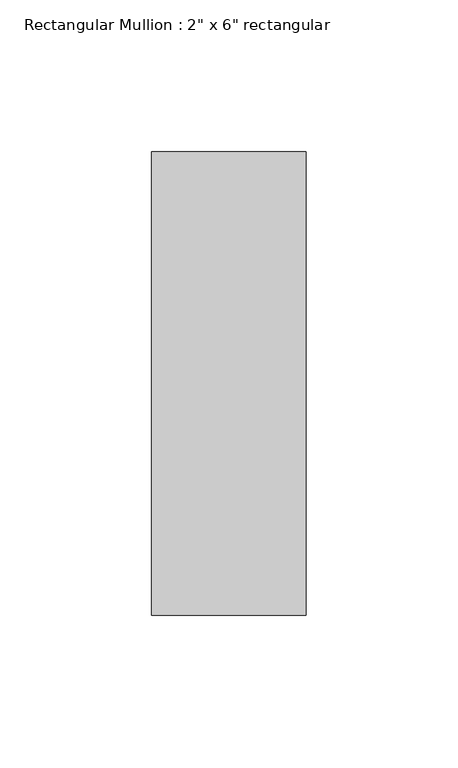
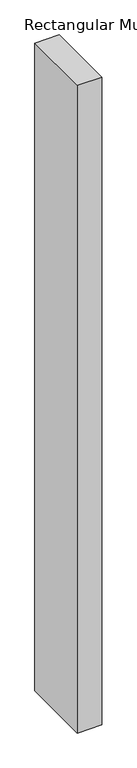
"""IFC4 building model written with IfcOpenShell, lengths in millimetres: member geometry."""

from ifc_helpers import new_model, si_unit, frame, origin, place, context, project, spatial, polyline, outline, extrude, source, transform, mapped, element, save


def member_73506d72(model_context):
    return source(origin(), model_context, "Body", "SweptSolid", [
        extrude(outline(polyline([(0.0, 76.2), (0.0, -76.2), (-50.8, -76.2), (-50.8, 76.2), (0.0, 76.2)])), frame((0.0, 0.0, -1422.4), z_axis=(0.0, 0.0, 1.0), x_axis=(1.0, 0.0, 0.0)), (0.0, 0.0, 1.0), 1422.4),
    ])


if __name__ == "__main__":
    model = new_model("IFC4")
    model_context = context("Model", 3, world=origin())
    ifc_project = project(units=[si_unit("LENGTHUNIT", "METRE", prefix="MILLI")], contexts=[model_context])
    site = spatial("IfcSite", under=ifc_project)
    building = spatial("IfcBuilding", under=site)
    placement = place(None, origin())
    member_shape = member_73506d72(model_context)
    element("IfcMember", 1, ObjectType="Rectangular Mullion : 2\" x 6\" rectangular", at=placement, inside=building, context=model_context, shape_type="MappedRepresentation", body=[
        mapped(member_shape, transform((0.0, 0.0, 0.0), x_axis=(1.0, 0.0, 0.0), y_axis=(0.0, 1.0, 0.0), z_axis=(0.0, 0.0, 1.0))),
    ])
    save(model, "model.ifc")
